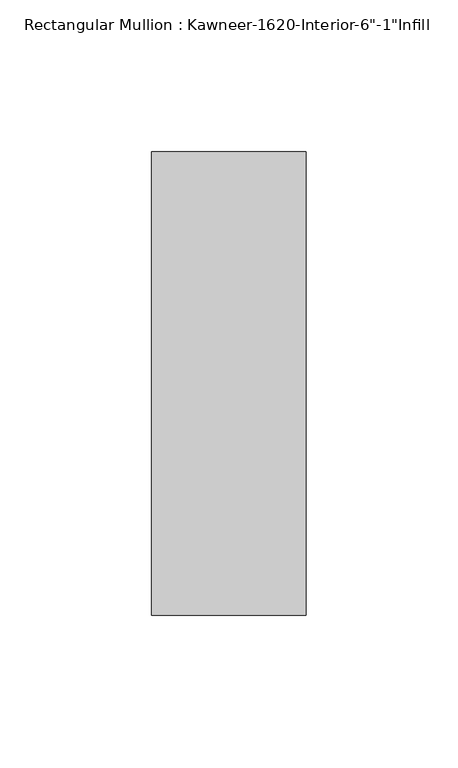
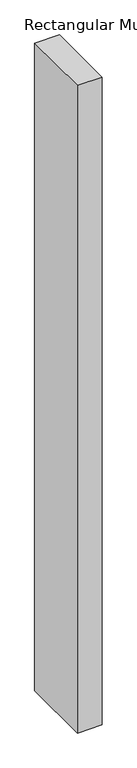
"""IFC4 building model written with IfcOpenShell, lengths in millimetres: member geometry."""

from ifc_helpers import new_model, si_unit, frame, origin, place, context, project, spatial, polyline, outline, extrude, source, transform, mapped, element, save


def member_34a10e22(model_context):
    return source(origin(), model_context, "Body", "SweptSolid", [
        extrude(outline(polyline([(25.4, -114.3), (-25.4, -114.3), (-25.4, 38.1), (25.4, 38.1), (25.4, -114.3)])), frame((0.0, 0.0, -1412.875), z_axis=(0.0, 0.0, 1.0), x_axis=(1.0, 0.0, 0.0)), (0.0, 0.0, 1.0), 1412.875),
    ])


if __name__ == "__main__":
    model = new_model("IFC4")
    model_context = context("Model", 3, world=origin())
    ifc_project = project(units=[si_unit("LENGTHUNIT", "METRE", prefix="MILLI")], contexts=[model_context])
    site = spatial("IfcSite", under=ifc_project)
    building = spatial("IfcBuilding", under=site)
    placement = place(None, origin())
    member_shape = member_34a10e22(model_context)
    element("IfcMember", 1, ObjectType="Rectangular Mullion : Kawneer-1620-Interior-6\"-1\"Infill", at=placement, inside=building, context=model_context, shape_type="MappedRepresentation", body=[
        mapped(member_shape, transform((0.0, 0.0, 0.0), x_axis=(1.0, 0.0, 0.0), y_axis=(0.0, 1.0, 0.0), z_axis=(0.0, 0.0, 1.0))),
    ])
    save(model, "model.ifc")
